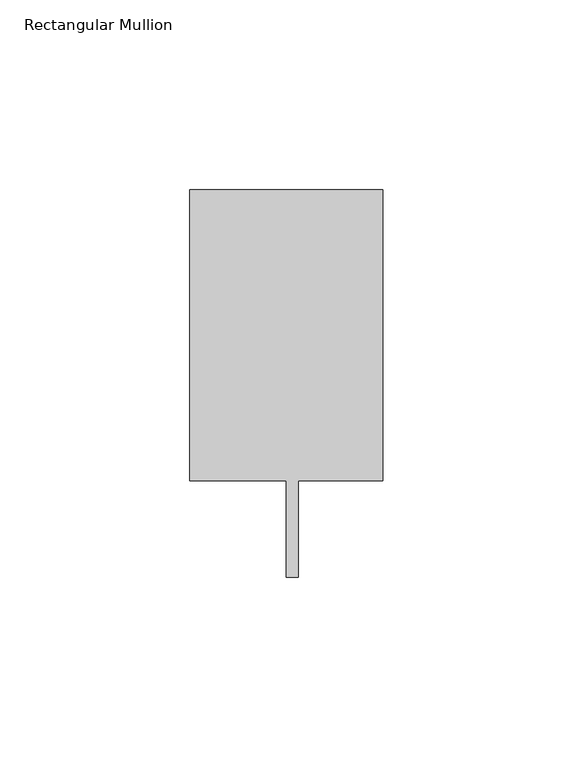
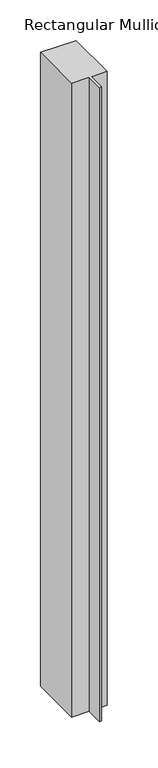
"""IFC4 building model written with IfcOpenShell, lengths in millimetres: member geometry, Rectangular Mullion."""

from ifc_helpers import new_model, si_unit, frame, origin, place, context, project, spatial, polyline, outline, extrude, source, transform, mapped, element, save


def rectangular_mullion_2a6bd8be(model_context):
    return source(origin(), model_context, "Body", "SweptSolid", [
        extrude(outline(polyline([(25.4, 89.296875), (25.4, 12.7), (3.175, 12.7), (3.175, -12.7), (0.0, -12.7), (0.0, 12.7), (-25.4, 12.7), (-25.4, 89.296875), (25.4, 89.296875)])), frame((0.0, 0.0, -954.4479906), z_axis=(0.0, 0.0, 1.0), x_axis=(1.0, 0.0, 0.0)), (0.0, 0.0, 1.0), 954.4479906),
    ])


if __name__ == "__main__":
    model = new_model("IFC4")
    model_context = context("Model", 3, world=origin())
    ifc_project = project(units=[si_unit("LENGTHUNIT", "METRE", prefix="MILLI")], contexts=[model_context])
    site = spatial("IfcSite", under=ifc_project)
    building = spatial("IfcBuilding", under=site)
    placement = place(None, origin())
    rectangular_mullion_shape = rectangular_mullion_2a6bd8be(model_context)
    element("IfcMember", 1, ObjectType="Rectangular Mullion", at=placement, inside=building, context=model_context, shape_type="MappedRepresentation", body=[
        mapped(rectangular_mullion_shape, transform((0.0, 0.0, 0.0), x_axis=(1.0, 0.0, 0.0), y_axis=(0.0, 1.0, 0.0), z_axis=(0.0, 0.0, 1.0))),
    ])
    save(model, "model.ifc")
